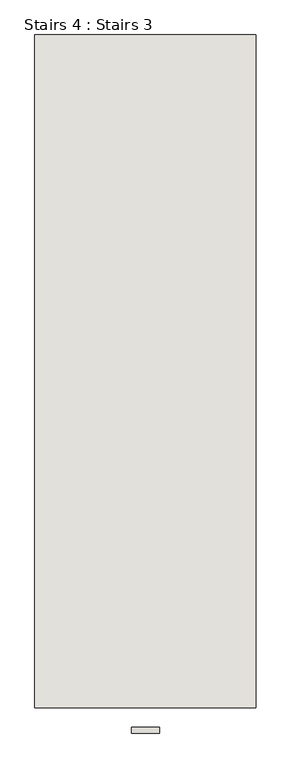
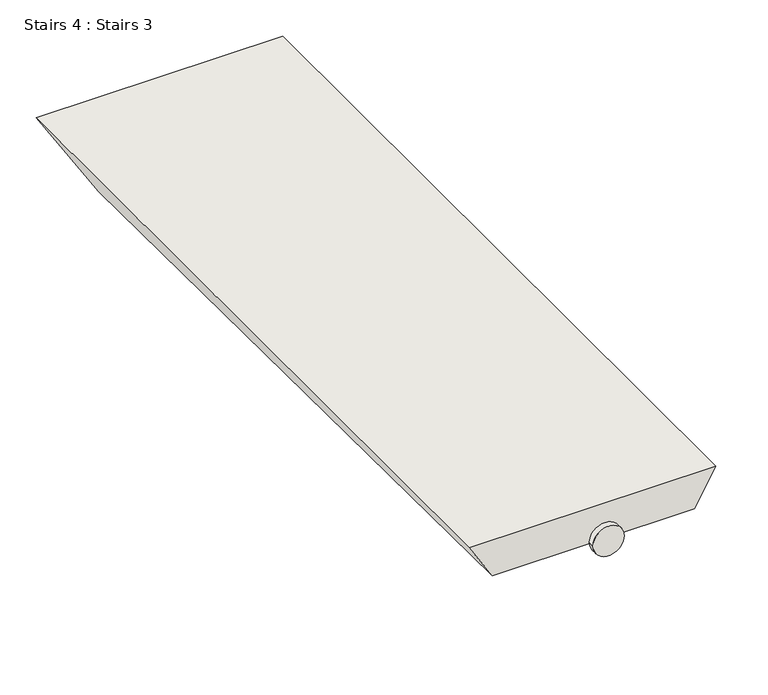
"""IFC4 building model written with IfcOpenShell, lengths in millimetres: wall geometry, Stairs 4 : Stairs 3."""

from ifc_helpers import new_model, si_unit, point, frame, frame_2d, origin, place, context, project, spatial, circle_curve, trimmed, segment, composite_curve, outline, extrude, faceted_brep, source, transform, mapped, element, save


def stairs_4_stairs_3_895daf4c(model_context):
    return source(origin(), model_context, "Body", "SolidModel", [
        extrude(outline(composite_curve([segment(trimmed(circle_curve(frame_2d((70472.6452346, 99663.3030519)), 25.0), [point((70472.6452346, 99688.3030519))], [point((70472.6452346, 99638.3030519))], False, "CARTESIAN"), True, "CONTINUOUS"), segment(trimmed(circle_curve(frame_2d((70472.6452346, 99663.3030519)), 25.0), [point((70472.6452346, 99638.3030519))], [point((70472.6452346, 99688.3030519))], False, "CARTESIAN"), True, "CONTINUOUS")], self_intersect=False)), frame((0.0, -36520.9230841, 0.0), z_axis=(0.0, 1.0, 0.0), x_axis=(0.0, 0.0, 1.0)), (0.0, 0.0, 1.0), 10.0),
        faceted_brep([(99860.6500317, -36475.9230841, 70502.6452346), (99465.9560722, -36475.9230841, 70502.6452346), (99503.4482333, -36475.9230841, 70442.6452346), (99826.0090155, -36475.9230841, 70442.6452346), (99465.9560722, -35275.9230841, 70502.6452346), (99860.6500317, -35275.9230841, 70502.6452346), (99768.2739886, -35275.9230841, 70342.6452346), (99565.9351685, -35275.9230841, 70342.6452346)], [[[0, 1, 2, 3]], [[4, 5, 6, 7]], [[5, 4, 1, 0]], [[7, 6, 3, 2]], [[2, 1, 4, 7]], [[0, 3, 6, 5]]]),
    ])


if __name__ == "__main__":
    model = new_model("IFC4")
    model_context = context("Model", 3, world=origin())
    ifc_project = project(units=[si_unit("LENGTHUNIT", "METRE", prefix="MILLI")], contexts=[model_context])
    site = spatial("IfcSite", under=ifc_project)
    building = spatial("IfcBuilding", under=site)
    placement = place(None, origin())
    stairs_4_stairs_3_shape = stairs_4_stairs_3_895daf4c(model_context)
    element("IfcWall", 1, ObjectType="Stairs 4 : Stairs 3", at=placement, inside=building, context=model_context, shape_type="MappedRepresentation", body=[
        mapped(stairs_4_stairs_3_shape, transform((0.0, 0.0, 0.0), x_axis=(1.0, 0.0, 0.0), y_axis=(0.0, 1.0, 0.0), z_axis=(0.0, 0.0, 1.0))),
    ])
    save(model, "model.ifc")
